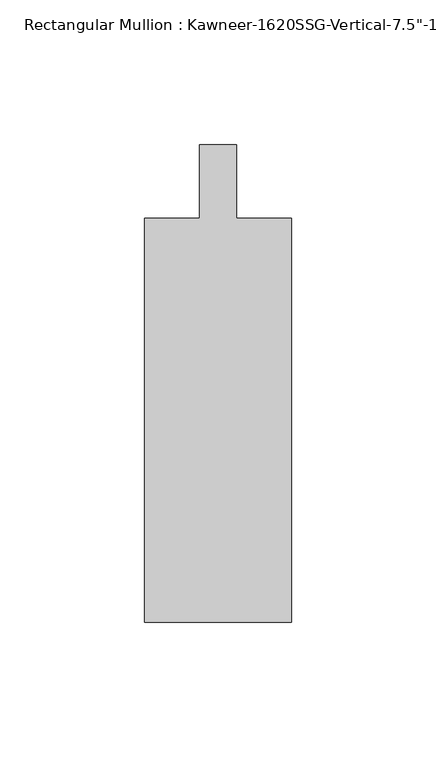
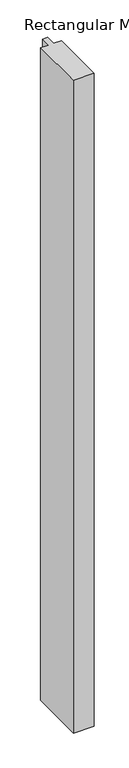
"""IFC4 building model written with IfcOpenShell, lengths in millimetres: member geometry."""

from ifc_helpers import new_model, si_unit, frame, origin, place, context, project, spatial, polyline, outline, extrude, source, transform, mapped, element, save


def member_9f8919cd(model_context):
    return source(origin(), model_context, "Body", "SweptSolid", [
        extrude(outline(polyline([(25.4, -152.4), (-25.4, -152.4), (-25.4, -12.7), (-6.35, -12.7), (-6.35, 12.7), (6.35, 12.7), (6.35, -12.7), (25.4, -12.7), (25.4, -152.4)])), frame((0.0, 0.0, -1695.45), z_axis=(0.0, 0.0, 1.0), x_axis=(1.0, 0.0, 0.0)), (0.0, 0.0, 1.0), 1695.45),
    ])


if __name__ == "__main__":
    model = new_model("IFC4")
    model_context = context("Model", 3, world=origin())
    ifc_project = project(units=[si_unit("LENGTHUNIT", "METRE", prefix="MILLI")], contexts=[model_context])
    site = spatial("IfcSite", under=ifc_project)
    building = spatial("IfcBuilding", under=site)
    placement = place(None, origin())
    member_shape = member_9f8919cd(model_context)
    element("IfcMember", 1, ObjectType="Rectangular Mullion : Kawneer-1620SSG-Vertical-7.5\"-1\"Infill-Standard", at=placement, inside=building, context=model_context, shape_type="MappedRepresentation", body=[
        mapped(member_shape, transform((0.0, 0.0, 0.0), x_axis=(1.0, 0.0, 0.0), y_axis=(0.0, 1.0, 0.0), z_axis=(0.0, 0.0, 1.0))),
    ])
    save(model, "model.ifc")
